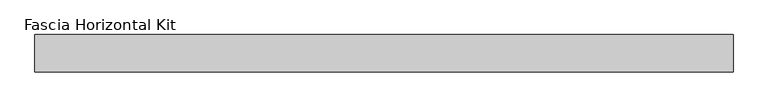
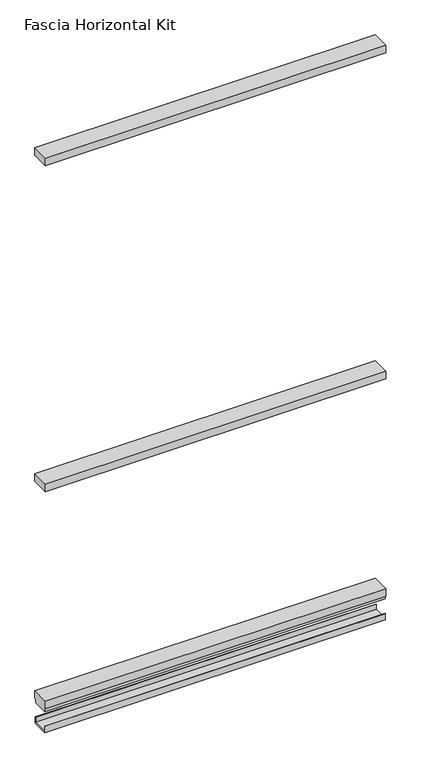
"""IFC4 building model written with IfcOpenShell, lengths in millimetres: proxy geometry, Fascia Horizontal Kit."""

from ifc_helpers import new_model, si_unit, frame, origin, place, context, project, spatial, polyline, outline, extrude, source, transform, mapped, element, save


def fascia_horizontal_kit_9a3db1c2(model_context):
    return source(origin(), model_context, "Body", "SweptSolid", [
        extrude(outline(polyline([(-702.9895117, 34.0688663), (-702.9895117, 98.4324663), (502.3047895, 98.4324663), (502.3047895, 34.0688663), (-702.9895117, 34.0688663)])), frame((0.0, 0.0, 903.829), z_axis=(0.0, 0.0, 1.0), x_axis=(1.0, 0.0, 0.0)), (0.0, 0.0, 1.0), 28.0),
        extrude(outline(polyline([(-702.9895117, 34.0688663), (-702.9895117, 98.4324663), (502.3047895, 98.4324663), (502.3047895, 34.0688663), (-702.9895117, 34.0688663)])), frame((0.0, 0.0, 2124.295979), z_axis=(0.0, 0.0, 1.0), x_axis=(1.0, 0.0, 0.0)), (0.0, 0.0, 1.0), 28.0),
        extrude(outline(polyline([(94.0992263, 4.58724), (94.0992263, 23.2156), (95.2574663, 23.2156), (95.2574663, 0.0), (37.2438663, 0.0), (37.2438663, 23.2156), (38.4021063, 23.2156), (38.4021063, 4.58724), (94.0992263, 4.58724)])), frame((-702.9895117, 0.0, 0.0), z_axis=(1.0, 0.0, 0.0), x_axis=(0.0, 1.0, 0.0)), (0.0, 0.0, 1.0), 1205.2943013),
        extrude(outline(polyline([(98.4324663, 119.029), (98.4324663, 91.029), (93.5466663, 91.029), (93.5466663, 77.0336001), (38.9546663, 77.0336001), (38.9546663, 91.029), (34.0688663, 91.029), (34.0688663, 119.029), (98.4324663, 119.029)])), frame((-702.9895117, 0.0, 0.0), z_axis=(1.0, 0.0, 0.0), x_axis=(0.0, 1.0, 0.0)), (0.0, 0.0, 1.0), 1205.2943013),
    ])


if __name__ == "__main__":
    model = new_model("IFC4")
    model_context = context("Model", 3, world=origin())
    ifc_project = project(units=[si_unit("LENGTHUNIT", "METRE", prefix="MILLI")], contexts=[model_context])
    site = spatial("IfcSite", under=ifc_project)
    building = spatial("IfcBuilding", under=site)
    placement = place(None, origin())
    fascia_horizontal_kit_shape = fascia_horizontal_kit_9a3db1c2(model_context)
    element("IfcBuildingElementProxy", 1, Name="Fascia Horizontal Kit", ObjectType="Fascia Horizontal Kit", at=placement, inside=building, context=model_context, shape_type="MappedRepresentation", body=[
        mapped(fascia_horizontal_kit_shape, transform((0.0, 0.0, 0.0), x_axis=(1.0, 0.0, 0.0), y_axis=(0.0, 1.0, 0.0), z_axis=(0.0, 0.0, 1.0))),
    ])
    save(model, "model.ifc")
